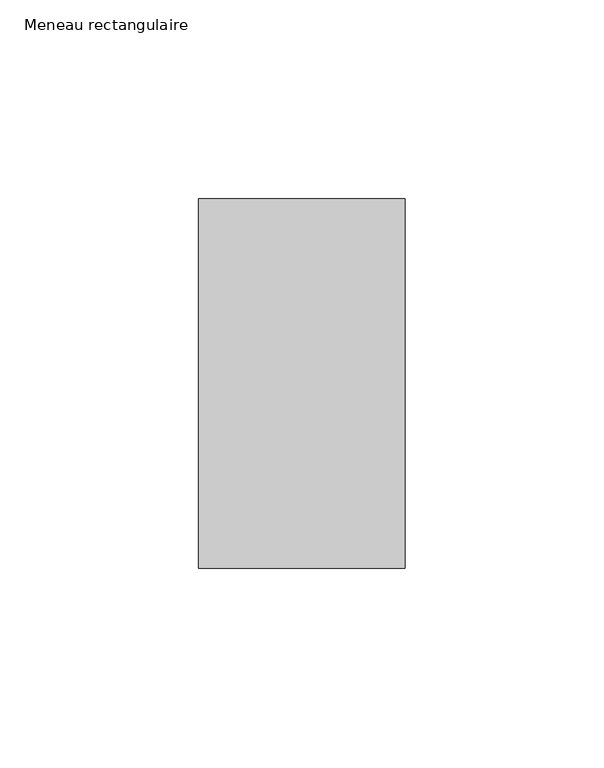
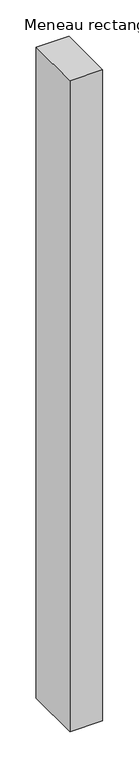
"""IFC4 building model written with IfcOpenShell, lengths in millimetres: member geometry, Meneau rectangulaire."""

from ifc_helpers import new_model, si_unit, frame, origin, place, context, project, spatial, polyline, outline, extrude, source, transform, mapped, element, save


def meneau_rectangulaire_013a8504(model_context):
    return source(origin(), model_context, "Body", "SweptSolid", [
        extrude(outline(polyline([(-52.0, 46.5), (0.0, 46.5), (0.0, -46.5), (-52.0, -46.5), (-52.0, 46.5)])), frame((0.0, 0.0, -1092.7499998), z_axis=(0.0, 0.0, 1.0), x_axis=(1.0, 0.0, 0.0)), (0.0, 0.0, 1.0), 1092.7499998),
    ])


if __name__ == "__main__":
    model = new_model("IFC4")
    model_context = context("Model", 3, world=origin())
    ifc_project = project(units=[si_unit("LENGTHUNIT", "METRE", prefix="MILLI")], contexts=[model_context])
    site = spatial("IfcSite", under=ifc_project)
    building = spatial("IfcBuilding", under=site)
    placement = place(None, origin())
    meneau_rectangulaire_shape = meneau_rectangulaire_013a8504(model_context)
    element("IfcMember", 1, ObjectType="Meneau rectangulaire", at=placement, inside=building, context=model_context, shape_type="MappedRepresentation", body=[
        mapped(meneau_rectangulaire_shape, transform((0.0, 0.0, 0.0), x_axis=(1.0, 0.0, 0.0), y_axis=(0.0, 1.0, 0.0), z_axis=(0.0, 0.0, 1.0))),
    ])
    save(model, "model.ifc")
